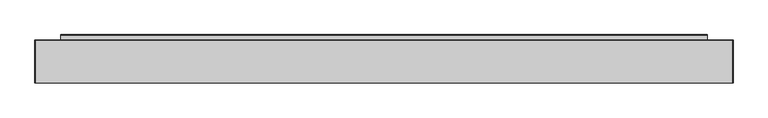
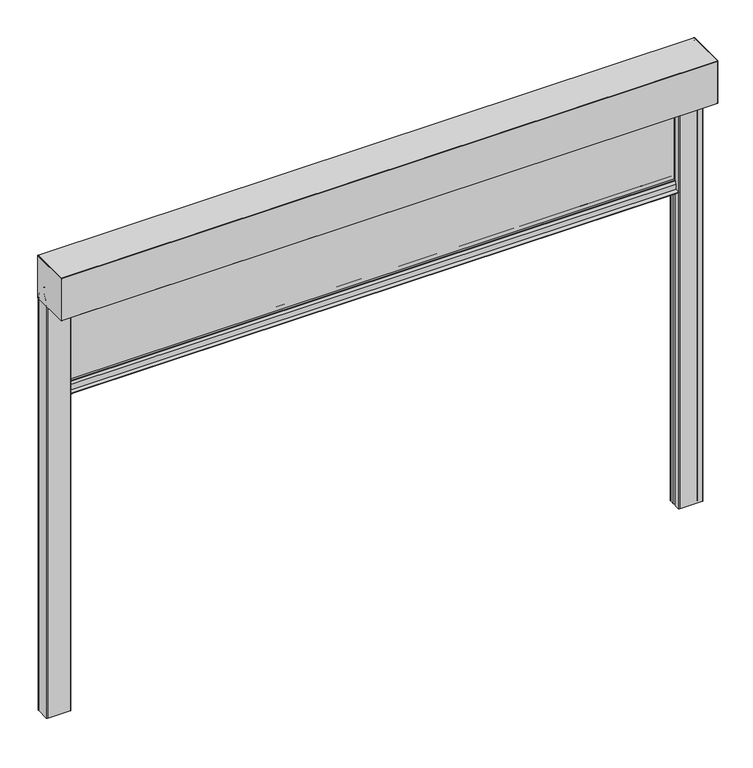
"""IFC4 building model written with IfcOpenShell, lengths in millimetres: alarm geometry."""

from ifc_helpers import new_model, si_unit, point, frame, frame_2d, origin, place, context, project, spatial, polyline, circle_curve, trimmed, segment, composite_curve, outline, extrude, source, transform, mapped, element, save
from ifc_brep_helpers import plane_surface, cylinder_surface, revolved_surface, advanced_brep


def alarm_dab0e202(model_context):
    return source(origin(), model_context, "Body", "SolidModel", [
        extrude(outline(composite_curve([segment(polyline([(32.3130377, -455.0), (67.6869623, -455.0)]), True, "CONTINUOUS"), segment(trimmed(circle_curve(frame_2d((67.6869623, -457.0)), 2.0), [point((67.6869623, -455.0))], [point((69.5220736, -456.2047851))], False, "CARTESIAN"), True, "CONTINUOUS"), segment(polyline([(69.5220736, -456.2047851), (75.5, -470.0), (75.5, -498.0), (98.5, -498.0)]), True, "CONTINUOUS"), segment(trimmed(circle_curve(frame_2d((98.5, -499.0)), 1.0), [point((98.5, -498.0))], [point((98.5, -500.0))], False, "CARTESIAN"), True, "CONTINUOUS"), segment(polyline([(98.5, -500.0), (1.5, -500.0)]), True, "CONTINUOUS"), segment(trimmed(circle_curve(frame_2d((1.5, -499.0)), 1.0), [point((1.5, -500.0))], [point((1.5, -498.0))], False, "CARTESIAN"), True, "CONTINUOUS"), segment(polyline([(1.5, -498.0), (24.5, -498.0), (24.5, -470.0), (30.4779264, -456.2047851)]), True, "CONTINUOUS"), segment(trimmed(circle_curve(frame_2d((32.3130377, -457.0)), 2.0), [point((30.4779264, -456.2047851))], [point((32.3130377, -455.0))], False, "CARTESIAN"), True, "CONTINUOUS")], self_intersect=False)), frame((-1500.0, 0.0, 0.0), z_axis=(1.0, 0.0, 0.0), x_axis=(0.0, 1.0, 0.0)), (0.0, 0.0, 1.0), 3000.0),
        extrude(outline(polyline([(1500.0, 42.5), (-1500.0, 42.5), (-1500.0, 57.5), (1500.0, 57.5), (1500.0, 42.5)])), frame((0.0, 0.0, -455.0), z_axis=(0.0, 0.0, 1.0), x_axis=(1.0, 0.0, 0.0)), (0.0, 0.0, 1.0), 465.0),
        extrude(outline(composite_curve([segment(polyline([(-125.0, 1.0), (-125.0, 219.0)]), True, "CONTINUOUS"), segment(trimmed(circle_curve(frame_2d((-124.0, 219.0)), 1.0), [point((-125.0, 219.0))], [point((-124.0, 220.0))], False, "CARTESIAN"), True, "CONTINUOUS"), segment(polyline([(-124.0, 220.0), (74.0, 220.0)]), True, "CONTINUOUS"), segment(trimmed(circle_curve(frame_2d((74.0, 219.0)), 1.0), [point((74.0, 220.0))], [point((75.0, 219.0))], False, "CARTESIAN"), True, "CONTINUOUS"), segment(polyline([(75.0, 219.0), (75.0, 1.5)]), True, "CONTINUOUS"), segment(trimmed(circle_curve(frame_2d((73.5, 1.5)), 1.5), [point((75.0, 1.5))], [point((73.5, 0.0))], False, "CARTESIAN"), True, "CONTINUOUS"), segment(polyline([(73.5, 0.0), (-124.0, 0.0)]), True, "CONTINUOUS"), segment(trimmed(circle_curve(frame_2d((-124.0, 1.0)), 1.0), [point((-124.0, 0.0))], [point((-125.0, 1.0))], False, "CARTESIAN"), True, "CONTINUOUS")], self_intersect=False)), frame((1620.0, 0.0, 0.0), z_axis=(1.0, 0.0, 0.0), x_axis=(0.0, 1.0, 0.0)), (0.0, 0.0, 1.0), 1.0),
        extrude(outline(composite_curve([segment(polyline([(-125.0, 1.0), (-125.0, 219.0)]), True, "CONTINUOUS"), segment(trimmed(circle_curve(frame_2d((-124.0, 219.0)), 1.0), [point((-125.0, 219.0))], [point((-124.0, 220.0))], False, "CARTESIAN"), True, "CONTINUOUS"), segment(polyline([(-124.0, 220.0), (74.0, 220.0)]), True, "CONTINUOUS"), segment(trimmed(circle_curve(frame_2d((74.0, 219.0)), 1.0), [point((74.0, 220.0))], [point((75.0, 219.0))], False, "CARTESIAN"), True, "CONTINUOUS"), segment(polyline([(75.0, 219.0), (75.0, 1.5)]), True, "CONTINUOUS"), segment(trimmed(circle_curve(frame_2d((73.5, 1.5)), 1.5), [point((75.0, 1.5))], [point((73.5, 0.0))], False, "CARTESIAN"), True, "CONTINUOUS"), segment(polyline([(73.5, 0.0), (-124.0, 0.0)]), True, "CONTINUOUS"), segment(trimmed(circle_curve(frame_2d((-124.0, 1.0)), 1.0), [point((-124.0, 0.0))], [point((-125.0, 1.0))], False, "CARTESIAN"), True, "CONTINUOUS")], self_intersect=False)), frame((-1621.0, 0.0, 0.0), z_axis=(1.0, 0.0, 0.0), x_axis=(0.0, 1.0, 0.0)), (0.0, 0.0, 1.0), 1.0),
        extrude(outline(composite_curve([segment(trimmed(circle_curve(frame_2d((1505.0, 70.0)), 5.0), [point((1500.0, 70.0))], [point((1505.0, 75.0))], False, "CARTESIAN"), True, "CONTINUOUS"), segment(polyline([(1505.0, 75.0), (1615.0, 75.0)]), True, "CONTINUOUS"), segment(trimmed(circle_curve(frame_2d((1615.0, 70.0)), 5.0), [point((1615.0, 75.0))], [point((1620.0, 70.0))], False, "CARTESIAN"), True, "CONTINUOUS"), segment(polyline([(1620.0, 70.0), (1620.0, 4.0)]), True, "CONTINUOUS"), segment(trimmed(circle_curve(frame_2d((1615.0, 4.0)), 5.0), [point((1620.0, 4.0))], [point((1615.0, -1.0))], False, "CARTESIAN"), True, "CONTINUOUS"), segment(polyline([(1615.0, -1.0), (1505.0, -1.0)]), True, "CONTINUOUS"), segment(trimmed(circle_curve(frame_2d((1505.0, 4.0)), 5.0), [point((1505.0, -1.0))], [point((1500.0, 4.0))], False, "CARTESIAN"), True, "CONTINUOUS"), segment(polyline([(1500.0, 4.0), (1500.0, 28.0)]), True, "CONTINUOUS"), segment(trimmed(circle_curve(frame_2d((1504.0, 28.0)), 4.0), [point((1500.0, 28.0))], [point((1504.0, 32.0))], False, "CARTESIAN"), True, "CONTINUOUS"), segment(polyline([(1504.0, 32.0), (1539.0, 32.0)]), True, "CONTINUOUS"), segment(trimmed(circle_curve(frame_2d((1539.0, 28.0)), 4.0), [point((1539.0, 32.0))], [point((1543.0, 28.0))], False, "CARTESIAN"), True, "CONTINUOUS"), segment(polyline([(1543.0, 28.0), (1543.0, 14.0)]), True, "CONTINUOUS"), segment(trimmed(circle_curve(frame_2d((1545.0, 14.0)), 2.0), [point((1543.0, 14.0))], [point((1545.0, 12.0))], True, "CARTESIAN"), True, "CONTINUOUS"), segment(polyline([(1545.0, 12.0), (1596.0, 12.0)]), True, "CONTINUOUS"), segment(trimmed(circle_curve(frame_2d((1596.0, 14.0)), 2.0), [point((1596.0, 12.0))], [point((1598.0, 14.0))], True, "CARTESIAN"), True, "CONTINUOUS"), segment(polyline([(1598.0, 14.0), (1598.0, 40.0)]), True, "CONTINUOUS"), segment(trimmed(circle_curve(frame_2d((1596.0, 40.0)), 2.0), [point((1598.0, 40.0))], [point((1596.0, 42.0))], True, "CARTESIAN"), True, "CONTINUOUS"), segment(polyline([(1596.0, 42.0), (1504.0, 42.0)]), True, "CONTINUOUS"), segment(trimmed(circle_curve(frame_2d((1504.0, 46.0)), 4.0), [point((1504.0, 42.0))], [point((1500.0, 46.0))], False, "CARTESIAN"), True, "CONTINUOUS"), segment(polyline([(1500.0, 46.0), (1500.0, 70.0)]), True, "CONTINUOUS")], self_intersect=False), holes=[composite_curve([segment(polyline([(1539.0, 30.0), (1504.0, 30.0)]), True, "CONTINUOUS"), segment(trimmed(circle_curve(frame_2d((1504.0, 28.0)), 2.0), [point((1504.0, 30.0))], [point((1502.0, 28.0))], True, "CARTESIAN"), True, "CONTINUOUS"), segment(polyline([(1502.0, 28.0), (1502.0, 4.0)]), True, "CONTINUOUS"), segment(trimmed(circle_curve(frame_2d((1505.0, 4.0)), 3.0), [point((1502.0, 4.0))], [point((1505.0, 1.0))], True, "CARTESIAN"), True, "CONTINUOUS"), segment(polyline([(1505.0, 1.0), (1615.0, 1.0)]), True, "CONTINUOUS"), segment(trimmed(circle_curve(frame_2d((1615.0, 4.0)), 3.0), [point((1615.0, 1.0))], [point((1618.0, 4.0))], True, "CARTESIAN"), True, "CONTINUOUS"), segment(polyline([(1618.0, 4.0), (1618.0, 70.0)]), True, "CONTINUOUS"), segment(trimmed(circle_curve(frame_2d((1615.0, 70.0)), 3.0), [point((1618.0, 70.0))], [point((1615.0, 73.0))], True, "CARTESIAN"), True, "CONTINUOUS"), segment(polyline([(1615.0, 73.0), (1505.0, 73.0)]), True, "CONTINUOUS"), segment(trimmed(circle_curve(frame_2d((1505.0, 70.0)), 3.0), [point((1505.0, 73.0))], [point((1502.0, 70.0))], True, "CARTESIAN"), True, "CONTINUOUS"), segment(polyline([(1502.0, 70.0), (1502.0, 46.0)]), True, "CONTINUOUS"), segment(trimmed(circle_curve(frame_2d((1504.0, 46.0)), 2.0), [point((1502.0, 46.0))], [point((1504.0, 44.0))], True, "CARTESIAN"), True, "CONTINUOUS"), segment(polyline([(1504.0, 44.0), (1596.0, 44.0)]), True, "CONTINUOUS"), segment(trimmed(circle_curve(frame_2d((1596.0, 40.0)), 4.0), [point((1596.0, 44.0))], [point((1600.0, 40.0))], False, "CARTESIAN"), True, "CONTINUOUS"), segment(polyline([(1600.0, 40.0), (1600.0, 14.0)]), True, "CONTINUOUS"), segment(trimmed(circle_curve(frame_2d((1596.0, 14.0)), 4.0), [point((1600.0, 14.0))], [point((1596.0, 10.0))], False, "CARTESIAN"), True, "CONTINUOUS"), segment(polyline([(1596.0, 10.0), (1545.0, 10.0)]), True, "CONTINUOUS"), segment(trimmed(circle_curve(frame_2d((1545.0, 14.0)), 4.0), [point((1545.0, 10.0))], [point((1541.0, 14.0))], False, "CARTESIAN"), True, "CONTINUOUS"), segment(polyline([(1541.0, 14.0), (1541.0, 28.0)]), True, "CONTINUOUS"), segment(trimmed(circle_curve(frame_2d((1539.0, 28.0)), 2.0), [point((1541.0, 28.0))], [point((1539.0, 30.0))], True, "CARTESIAN"), True, "CONTINUOUS")], self_intersect=False)]), frame((0.0, 0.0, -2150.0), z_axis=(0.0, 0.0, 1.0), x_axis=(1.0, 0.0, 0.0)), (0.0, 0.0, 1.0), 2150.0),
        extrude(outline(composite_curve([segment(trimmed(circle_curve(frame_2d((-1505.0, 4.0)), 5.0), [point((-1500.0, 4.0))], [point((-1505.0, -1.0))], False, "CARTESIAN"), True, "CONTINUOUS"), segment(polyline([(-1505.0, -1.0), (-1615.0, -1.0)]), True, "CONTINUOUS"), segment(trimmed(circle_curve(frame_2d((-1615.0, 4.0)), 5.0), [point((-1615.0, -1.0))], [point((-1620.0, 4.0))], False, "CARTESIAN"), True, "CONTINUOUS"), segment(polyline([(-1620.0, 4.0), (-1620.0, 70.0)]), True, "CONTINUOUS"), segment(trimmed(circle_curve(frame_2d((-1615.0, 70.0)), 5.0), [point((-1620.0, 70.0))], [point((-1615.0, 75.0))], False, "CARTESIAN"), True, "CONTINUOUS"), segment(polyline([(-1615.0, 75.0), (-1505.0, 75.0)]), True, "CONTINUOUS"), segment(trimmed(circle_curve(frame_2d((-1505.0, 70.0)), 5.0), [point((-1505.0, 75.0))], [point((-1500.0, 70.0))], False, "CARTESIAN"), True, "CONTINUOUS"), segment(polyline([(-1500.0, 70.0), (-1500.0, 46.0)]), True, "CONTINUOUS"), segment(trimmed(circle_curve(frame_2d((-1504.0, 46.0)), 4.0), [point((-1500.0, 46.0))], [point((-1504.0, 42.0))], False, "CARTESIAN"), True, "CONTINUOUS"), segment(polyline([(-1504.0, 42.0), (-1596.0, 42.0)]), True, "CONTINUOUS"), segment(trimmed(circle_curve(frame_2d((-1596.0, 40.0)), 2.0), [point((-1596.0, 42.0))], [point((-1598.0, 40.0))], True, "CARTESIAN"), True, "CONTINUOUS"), segment(polyline([(-1598.0, 40.0), (-1598.0, 14.0)]), True, "CONTINUOUS"), segment(trimmed(circle_curve(frame_2d((-1596.0, 14.0)), 2.0), [point((-1598.0, 14.0))], [point((-1596.0, 12.0))], True, "CARTESIAN"), True, "CONTINUOUS"), segment(polyline([(-1596.0, 12.0), (-1545.0, 12.0)]), True, "CONTINUOUS"), segment(trimmed(circle_curve(frame_2d((-1545.0, 14.0)), 2.0), [point((-1545.0, 12.0))], [point((-1543.0, 14.0))], True, "CARTESIAN"), True, "CONTINUOUS"), segment(polyline([(-1543.0, 14.0), (-1543.0, 28.0)]), True, "CONTINUOUS"), segment(trimmed(circle_curve(frame_2d((-1539.0, 28.0)), 4.0), [point((-1543.0, 28.0))], [point((-1539.0, 32.0))], False, "CARTESIAN"), True, "CONTINUOUS"), segment(polyline([(-1539.0, 32.0), (-1504.0, 32.0)]), True, "CONTINUOUS"), segment(trimmed(circle_curve(frame_2d((-1504.0, 28.0)), 4.0), [point((-1504.0, 32.0))], [point((-1500.0, 28.0))], False, "CARTESIAN"), True, "CONTINUOUS"), segment(polyline([(-1500.0, 28.0), (-1500.0, 4.0)]), True, "CONTINUOUS")], self_intersect=False), holes=[composite_curve([segment(trimmed(circle_curve(frame_2d((-1504.0, 28.0)), 2.0), [point((-1502.0, 28.0))], [point((-1504.0, 30.0))], True, "CARTESIAN"), True, "CONTINUOUS"), segment(polyline([(-1504.0, 30.0), (-1539.0, 30.0)]), True, "CONTINUOUS"), segment(trimmed(circle_curve(frame_2d((-1539.0, 28.0)), 2.0), [point((-1539.0, 30.0))], [point((-1541.0, 28.0))], True, "CARTESIAN"), True, "CONTINUOUS"), segment(polyline([(-1541.0, 28.0), (-1541.0, 14.0)]), True, "CONTINUOUS"), segment(trimmed(circle_curve(frame_2d((-1545.0, 14.0)), 4.0), [point((-1541.0, 14.0))], [point((-1545.0, 10.0))], False, "CARTESIAN"), True, "CONTINUOUS"), segment(polyline([(-1545.0, 10.0), (-1596.0, 10.0)]), True, "CONTINUOUS"), segment(trimmed(circle_curve(frame_2d((-1596.0, 14.0)), 4.0), [point((-1596.0, 10.0))], [point((-1600.0, 14.0))], False, "CARTESIAN"), True, "CONTINUOUS"), segment(polyline([(-1600.0, 14.0), (-1600.0, 40.0)]), True, "CONTINUOUS"), segment(trimmed(circle_curve(frame_2d((-1596.0, 40.0)), 4.0), [point((-1600.0, 40.0))], [point((-1596.0, 44.0))], False, "CARTESIAN"), True, "CONTINUOUS"), segment(polyline([(-1596.0, 44.0), (-1504.0, 44.0)]), True, "CONTINUOUS"), segment(trimmed(circle_curve(frame_2d((-1504.0, 46.0)), 2.0), [point((-1504.0, 44.0))], [point((-1502.0, 46.0))], True, "CARTESIAN"), True, "CONTINUOUS"), segment(polyline([(-1502.0, 46.0), (-1502.0, 70.0)]), True, "CONTINUOUS"), segment(trimmed(circle_curve(frame_2d((-1505.0, 70.0)), 3.0), [point((-1502.0, 70.0))], [point((-1505.0, 73.0))], True, "CARTESIAN"), True, "CONTINUOUS"), segment(polyline([(-1505.0, 73.0), (-1615.0, 73.0)]), True, "CONTINUOUS"), segment(trimmed(circle_curve(frame_2d((-1615.0, 70.0)), 3.0), [point((-1615.0, 73.0))], [point((-1618.0, 70.0))], True, "CARTESIAN"), True, "CONTINUOUS"), segment(polyline([(-1618.0, 70.0), (-1618.0, 4.0)]), True, "CONTINUOUS"), segment(trimmed(circle_curve(frame_2d((-1615.0, 4.0)), 3.0), [point((-1618.0, 4.0))], [point((-1615.0, 1.0))], True, "CARTESIAN"), True, "CONTINUOUS"), segment(polyline([(-1615.0, 1.0), (-1505.0, 1.0)]), True, "CONTINUOUS"), segment(trimmed(circle_curve(frame_2d((-1505.0, 4.0)), 3.0), [point((-1505.0, 1.0))], [point((-1502.0, 4.0))], True, "CARTESIAN"), True, "CONTINUOUS"), segment(polyline([(-1502.0, 4.0), (-1502.0, 28.0)]), True, "CONTINUOUS")], self_intersect=False)]), frame((0.0, 0.0, -2150.0), z_axis=(0.0, 0.0, 1.0), x_axis=(1.0, 0.0, 0.0)), (0.0, 0.0, 1.0), 2150.0),
        advanced_brep(
        [(1620.0, 74.0, 220.0), (1620.0, -124.0, 220.0), (1620.0, -125.0, 219.0), (1620.0, -125.0, 1.0), (1620.0, -124.0, 0.0), (1620.0, 0.6706552, 0.0), (1620.0, 3.5525627, 2.8819075), (1620.0, 3.5525627, 25.0), (1620.0, 40.2346421, 81.9173889), (1620.0, 38.5535205, 85.0008329), (1620.0, 27.0535205, 85.0007974), (1620.0, 27.1842634, 82.0065058), (1620.0, 33.6652134, 82.5735356), (1620.0, 33.5780546, 83.56973), (1620.0, 27.0971045, 83.0027002), (1620.0, 27.0535236, 84.0007974), (1620.0, 38.5575262, 84.0008329), (1620.0, 39.6503781, 82.8567866), (1620.0, 2.5525627, 25.2943249), (1620.0, 2.5525627, 2.9031761), (1620.0, 0.6493867, 1.0), (1620.0, -118.4990953, 1.0), (1620.0, -118.4990953, 210.0001942), (1620.0, -114.4991113, 214.0001783), (1620.0, 64.4999422, 214.0001783), (1620.0, 68.5003406, 209.9997799), (1620.0, 68.5003406, 32.9978598), (1620.0, 71.0003714, 32.9978598), (1620.0, 71.0003714, 19.9978095), (1620.0, 74.0003573, 19.9978095), (1620.0, 74.0003573, 1.3255837), (1620.0, 73.0249422, 1.1710911), (1620.0, 63.1362847, 31.6048165), (1620.0, 62.1852498, 31.2958032), (1620.0, 72.0225757, 1.0199506), (1620.0, 75.0, 1.5), (1620.0, 75.0, 219.0), (-1620.0, 74.0, 220.0), (-1620.0, 75.0, 219.0), (-1620.0, 75.0, 1.5), (-1620.0, 72.0734167, 1.03647), (-1620.0, 62.1852498, 31.2958032), (-1620.0, 63.1362847, 31.6048165), (-1620.0, 73.0249422, 1.1710911), (-1620.0, 74.0003573, 1.3255837), (-1620.0, 74.0003573, 19.9978095), (-1620.0, 71.0003714, 19.9978095), (-1620.0, 71.0003714, 32.9978598), (-1620.0, 68.5003406, 32.9978598), (-1620.0, 68.5003406, 209.9997799), (-1620.0, 64.4999422, 214.0001783), (-1620.0, -114.4991113, 214.0001783), (-1620.0, -118.4990953, 210.0001942), (-1620.0, -118.4990953, 1.0), (-1620.0, 0.6493867, 1.0), (-1620.0, 2.5525627, 2.9031761), (-1620.0, 2.5525627, 25.2943249), (-1620.0, 39.6503781, 82.8567866), (-1620.0, 38.5575262, 84.0008329), (-1620.0, 27.0535236, 84.0007974), (-1620.0, 27.0971045, 83.0027002), (-1620.0, 33.5780546, 83.56973), (-1620.0, 33.6652134, 82.5735356), (-1620.0, 27.1842634, 82.0065058), (-1620.0, 27.0535205, 85.0007974), (-1620.0, 38.5535205, 85.0008329), (-1620.0, 40.2346421, 81.9173889), (-1620.0, 3.5525627, 25.0), (-1620.0, 3.5525627, 2.8819075), (-1620.0, 0.6706552, 0.0), (-1620.0, -124.0, 0.0), (-1620.0, -125.0, 1.0), (-1620.0, -125.0, 219.0), (-1620.0, -124.0, 220.0)],
        [
            (0, 1),
            (1, 2, circle_curve(frame((1620.0, -124.0, 219.0), z_axis=(1.0, 0.0, 0.0), x_axis=(0.0, 1.0, 0.0)), 1.0)),
            (2, 3),
            (3, 4, circle_curve(frame((1620.0, -124.0, 1.0), z_axis=(1.0, 0.0, 0.0), x_axis=(0.0, 1.0, 0.0)), 1.0)),
            (4, 5),
            (5, 6, circle_curve(frame((1620.0, 0.5548006, 2.9977621), z_axis=(1.0, 0.0, 0.0), x_axis=(0.0, 1.0, 0.0)), 3.0)),
            (6, 7),
            (7, 8),
            (8, 9, circle_curve(frame((1620.0, 38.5535267, 83.0008329), z_axis=(1.0, 0.0, 0.0), x_axis=(0.0, 1.0, 0.0)), 2.0)),
            (9, 10),
            (10, 11, circle_curve(frame((1620.0, 27.0535251, 83.5007974), z_axis=(1.0, 0.0, 0.0), x_axis=(0.0, 1.0, 0.0)), 1.5)),
            (11, 12),
            (12, 13),
            (13, 14),
            (14, 15, circle_curve(frame((1620.0, 27.0535251, 83.5007974), z_axis=(-1.0, 0.0, 0.0), x_axis=(0.0, 1.0, 0.0)), 0.5)),
            (15, 16),
            (16, 17, circle_curve(frame((1620.0, 38.5575296, 82.9068388), z_axis=(-1.0, 0.0, 0.0), x_axis=(0.0, 1.0, 0.0)), 1.0939941)),
            (17, 18),
            (18, 19),
            (19, 20, circle_curve(frame((1620.0, 0.5548006, 2.9977621), z_axis=(-1.0, 0.0, 0.0), x_axis=(0.0, 1.0, 0.0)), 2.0)),
            (20, 21),
            (21, 22),
            (22, 23, circle_curve(frame((1620.0, -114.4991113, 210.0001942), z_axis=(-1.0, 0.0, 0.0), x_axis=(0.0, 1.0, 0.0)), 3.9999841)),
            (23, 24),
            (24, 25, circle_curve(frame((1620.0, 64.4999422, 209.9997799), z_axis=(-1.0, 0.0, 0.0), x_axis=(0.0, 1.0, 0.0)), 4.0003984)),
            (25, 26),
            (26, 27),
            (27, 28),
            (28, 29),
            (29, 30),
            (30, 31, circle_curve(frame((1620.0, 73.500415, 1.3255837), z_axis=(-1.0, 0.0, 0.0), x_axis=(0.0, 1.0, 0.0)), 0.4999423)),
            (31, 32),
            (32, 33),
            (33, 34),
            (34, 35, circle_curve(frame((1620.0, 73.5, 1.5), z_axis=(1.0, 0.0, 0.0), x_axis=(0.0, 1.0, 0.0)), 1.5)),
            (35, 36),
            (36, 0, circle_curve(frame((1620.0, 74.0, 219.0), z_axis=(1.0, 0.0, 0.0), x_axis=(0.0, 1.0, 0.0)), 1.0)),
            (37, 38, circle_curve(frame((-1620.0, 74.0, 219.0), z_axis=(-1.0, 0.0, 0.0), x_axis=(0.0, 1.0, 0.0)), 1.0)),
            (38, 39),
            (39, 40, circle_curve(frame((-1620.0, 73.5, 1.5), z_axis=(-1.0, 0.0, 0.0), x_axis=(0.0, 1.0, 0.0)), 1.5)),
            (40, 41),
            (41, 42),
            (42, 43),
            (43, 44, circle_curve(frame((-1620.0, 73.500415, 1.3255837), z_axis=(1.0, 0.0, 0.0), x_axis=(0.0, 1.0, 0.0)), 0.4999423)),
            (44, 45),
            (45, 46),
            (46, 47),
            (47, 48),
            (48, 49),
            (49, 50, circle_curve(frame((-1620.0, 64.4999422, 209.9997799), z_axis=(1.0, 0.0, 0.0), x_axis=(0.0, 1.0, 0.0)), 4.0003984)),
            (50, 51),
            (51, 52, circle_curve(frame((-1620.0, -114.4991113, 210.0001942), z_axis=(1.0, 0.0, 0.0), x_axis=(0.0, 1.0, 0.0)), 3.9999841)),
            (52, 53),
            (53, 54),
            (54, 55, circle_curve(frame((-1620.0, 0.5548006, 2.9977621), z_axis=(1.0, 0.0, 0.0), x_axis=(0.0, 1.0, 0.0)), 2.0)),
            (55, 56),
            (56, 57),
            (57, 58, circle_curve(frame((-1620.0, 38.5575296, 82.9068388), z_axis=(1.0, 0.0, 0.0), x_axis=(0.0, 1.0, 0.0)), 1.0939941)),
            (58, 59),
            (59, 60, circle_curve(frame((-1620.0, 27.0535251, 83.5007974), z_axis=(1.0, 0.0, 0.0), x_axis=(0.0, 1.0, 0.0)), 0.5)),
            (60, 61),
            (61, 62),
            (62, 63),
            (63, 64, circle_curve(frame((-1620.0, 27.0535251, 83.5007974), z_axis=(-1.0, 0.0, 0.0), x_axis=(0.0, 1.0, 0.0)), 1.5)),
            (64, 65),
            (65, 66, circle_curve(frame((-1620.0, 38.5535267, 83.0008329), z_axis=(-1.0, 0.0, 0.0), x_axis=(0.0, 1.0, 0.0)), 2.0)),
            (66, 67),
            (67, 68),
            (68, 69, circle_curve(frame((-1620.0, 0.5548006, 2.9977621), z_axis=(-1.0, 0.0, 0.0), x_axis=(0.0, 1.0, 0.0)), 3.0)),
            (69, 70),
            (70, 71, circle_curve(frame((-1620.0, -124.0, 1.0), z_axis=(-1.0, 0.0, 0.0), x_axis=(0.0, 1.0, 0.0)), 1.0)),
            (71, 72),
            (72, 73, circle_curve(frame((-1620.0, -124.0, 219.0), z_axis=(-1.0, 0.0, 0.0), x_axis=(0.0, 1.0, 0.0)), 1.0)),
            (73, 37),
            (0, 37),
            (73, 1),
            (72, 2),
            (71, 3),
            (70, 4),
            (69, 5),
            (21, 53),
            (52, 22),
            (51, 23),
            (50, 24),
            (49, 25),
            (48, 26),
            (47, 27),
            (46, 28),
            (45, 29),
            (44, 30),
            (43, 31),
            (42, 32),
            (41, 33),
            (40, 34),
            (39, 35),
            (38, 36),
            (68, 6),
            (67, 7),
            (66, 8),
            (65, 9),
            (64, 10),
            (63, 11),
            (62, 12),
            (61, 13),
            (60, 14),
            (59, 15),
            (58, 16),
            (57, 17),
            (56, 18),
            (55, 19),
            (54, 20),
        ],
        [
            plane_surface(frame((1620.0, -124.0, 220.0), z_axis=(1.0, 0.0, 0.0), x_axis=(0.0, -1.0, 0.0))),
            plane_surface(frame((-1620.0, -124.0, 220.0), z_axis=(-1.0, 0.0, 0.0), x_axis=(0.0, 1.0, 0.0))),
            plane_surface(frame((1620.0, 74.0, 220.0), z_axis=(0.0, 0.0, 1.0), x_axis=(-1.0, 0.0, 0.0))),
            cylinder_surface(frame((-1620.0, -124.0, 219.0), z_axis=(1.0, 0.0, 0.0), x_axis=(0.0, 1.0, 0.0)), 1.0),
            plane_surface(frame((1620.0, -125.0, 219.0), z_axis=(0.0, -1.0, 0.0), x_axis=(-1.0, 0.0, 0.0))),
            cylinder_surface(frame((-1620.0, -124.0, 1.0), z_axis=(1.0, 0.0, 0.0), x_axis=(0.0, 1.0, 0.0)), 1.0),
            plane_surface(frame((1620.0, -124.0, 0.0), z_axis=(0.0, 0.0, -1.0), x_axis=(-1.0, 0.0, 0.0))),
            plane_surface(frame((1620.0, -118.4990953, 1.0), z_axis=(0.0, 1.0, 0.0), x_axis=(-1.0, 0.0, 0.0))),
            revolved_surface(polyline([(-1620.0, -110.49912719999999, 210.0001942), (1620.0, -110.49912719999999, 210.0001942)]), (-1620.0, -114.4991113, 210.0001942), (-1.0, 0.0, 0.0)),
            plane_surface(frame((1620.0, -114.4991113, 214.0001783), z_axis=(0.0, 0.0, -1.0), x_axis=(-1.0, 0.0, 0.0))),
            revolved_surface(polyline([(-1620.0, 68.5003406, 209.9997799), (1620.0, 68.5003406, 209.9997799)]), (-1620.0, 64.4999422, 209.9997799), (-1.0, 0.0, 0.0)),
            plane_surface(frame((1620.0, 68.5003406, 209.9997799), z_axis=(0.0, -1.0, 0.0), x_axis=(-1.0, 0.0, 0.0))),
            plane_surface(frame((1620.0, 68.5003406, 32.9978598), z_axis=(0.0, 0.0, -1.0), x_axis=(-1.0, 0.0, 0.0))),
            plane_surface(frame((1620.0, 71.0003714, 32.9978598), z_axis=(0.0, -1.0, 0.0), x_axis=(-1.0, 0.0, 0.0))),
            plane_surface(frame((1620.0, 71.0003714, 19.9978095), z_axis=(0.0, 0.0, -1.0), x_axis=(-1.0, 0.0, 0.0))),
            plane_surface(frame((1620.0, 74.0003573, 19.9978095), z_axis=(0.0, -1.0, -1.2844647031399892e-12), x_axis=(-1.0, 0.0, 0.0))),
            revolved_surface(polyline([(-1620.0, 74.0003573, 1.3255837), (1620.0, 74.0003573, 1.3255837)]), (-1620.0, 73.500415, 1.3255837), (-1.0, 0.0, 0.0)),
            plane_surface(frame((1620.0, 73.0249422, 1.1710911), z_axis=(0.0, 0.9510552244543146, 0.3090209702239532), x_axis=(-1.0, 0.0, 0.0))),
            plane_surface(frame((1620.0, 63.1362847, 31.6048165), z_axis=(0.0, -0.3090199811024944, 0.9510555458433614), x_axis=(-1.0, 0.0, 0.0))),
            plane_surface(frame((1620.0, 62.1852498, 31.2958032), z_axis=(0.0, -0.9510555458434065, -0.3090199811023557), x_axis=(-1.0, 0.0, 0.0))),
            cylinder_surface(frame((-1620.0, 73.5, 1.5), z_axis=(1.0, 0.0, 0.0), x_axis=(0.0, 1.0, 0.0)), 1.5),
            plane_surface(frame((1620.0, 75.0, 1.5), z_axis=(0.0, 1.0, 0.0), x_axis=(-1.0, 0.0, 0.0))),
            cylinder_surface(frame((-1620.0, 74.0, 219.0), z_axis=(1.0, 0.0, 0.0), x_axis=(0.0, 1.0, 0.0)), 1.0),
            cylinder_surface(frame((-1620.0, 0.5548006, 2.9977621), z_axis=(1.0, 0.0, 0.0), x_axis=(0.0, 1.0, 0.0)), 3.0),
            plane_surface(frame((1620.0, 3.5525627, 2.8819075), z_axis=(0.0, 1.0, 0.0), x_axis=(-1.0, 0.0, 0.0))),
            plane_surface(frame((1620.0, 3.5525627, 25.0), z_axis=(0.0, 0.8405576917101402, -0.541722038417232), x_axis=(-1.0, 0.0, 0.0))),
            cylinder_surface(frame((-1620.0, 38.5535267, 83.0008329), z_axis=(1.0, 0.0, 0.0), x_axis=(0.0, 1.0, 0.0)), 2.0),
            plane_surface(frame((1620.0, 38.5535205, 85.0008329), z_axis=(0.0, -3.0882118506882625e-06, 0.9999999999952316), x_axis=(-1.0, 0.0, 0.0))),
            cylinder_surface(frame((-1620.0, 27.0535251, 83.5007974), z_axis=(1.0, 0.0, 0.0), x_axis=(0.0, 1.0, 0.0)), 1.5),
            plane_surface(frame((1620.0, 27.1842634, 82.0065058), z_axis=(0.0, 0.08715881898961361, -0.9961944289506622), x_axis=(-1.0, 0.0, 0.0))),
            plane_surface(frame((1620.0, 33.6652134, 82.5735356), z_axis=(0.0, 0.9961944289500921, 0.08715881899612934), x_axis=(-1.0, 0.0, 0.0))),
            plane_surface(frame((1620.0, 33.5780546, 83.56973), z_axis=(0.0, -0.0871588190050008, 0.996194428949316), x_axis=(-1.0, 0.0, 0.0))),
            revolved_surface(polyline([(-1620.0, 27.5535251, 83.5007974), (1620.0, 27.5535251, 83.5007974)]), (-1620.0, 27.0535251, 83.5007974), (-1.0, 0.0, 0.0)),
            plane_surface(frame((1620.0, 27.0535236, 84.0007974), z_axis=(0.0, 3.0872151894676767e-06, -0.9999999999952346), x_axis=(-1.0, 0.0, 0.0))),
            revolved_surface(polyline([(-1620.0, 39.651523700000006, 82.9068388), (1620.0, 39.651523700000006, 82.9068388)]), (-1620.0, 38.5575296, 82.9068388), (-1.0, 0.0, 0.0)),
            plane_surface(frame((1620.0, 39.6503781, 82.8567866), z_axis=(0.0, -0.8405576917101383, 0.541722038417235), x_axis=(-1.0, 0.0, 0.0))),
            plane_surface(frame((1620.0, 2.5525627, 25.2943249), z_axis=(0.0, -1.0, 0.0), x_axis=(-1.0, 0.0, 0.0))),
            revolved_surface(polyline([(-1620.0, 2.5548006, 2.9977621), (1620.0, 2.5548006, 2.9977621)]), (-1620.0, 0.5548006, 2.9977621), (-1.0, 0.0, 0.0)),
            plane_surface(frame((1620.0, 0.6493867, 1.0), z_axis=(0.0, 0.0, 1.0), x_axis=(-1.0, 0.0, 0.0))),
        ],
        [
            (0, [[1, 2, 3, 4, 5, 6, 7, 8, 9, 10, 11, 12, 13, 14, 15, 16, 17, 18, 19, 20, 21, 22, 23, 24, 25, 26, 27, 28, 29, 30, 31, 32, 33, 34, 35, 36, 37]]),
            (1, [[38, 39, 40, 41, 42, 43, 44, 45, 46, 47, 48, 49, 50, 51, 52, 53, 54, 55, 56, 57, 58, 59, 60, 61, 62, 63, 64, 65, 66, 67, 68, 69, 70, 71, 72, 73, 74]]),
            (2, [[-1, 75, -74, 76]]),
            (3, [[-2, -76, -73, 77]]),
            (4, [[-3, -77, -72, 78]]),
            (5, [[-4, -78, -71, 79]]),
            (6, [[-5, -79, -70, 80]]),
            (7, [[-22, 81, -53, 82]]),
            (8, [[-23, -82, -52, 83]]),
            (9, [[-24, -83, -51, 84]]),
            (10, [[-25, -84, -50, 85]]),
            (11, [[-26, -85, -49, 86]]),
            (12, [[-27, -86, -48, 87]]),
            (13, [[-28, -87, -47, 88]]),
            (14, [[-29, -88, -46, 89]]),
            (15, [[-30, -89, -45, 90]]),
            (16, [[-31, -90, -44, 91]]),
            (17, [[-32, -91, -43, 92]]),
            (18, [[-33, -92, -42, 93]]),
            (19, [[-34, -93, -41, 94]]),
            (20, [[-35, -94, -40, 95]]),
            (21, [[-36, -95, -39, 96]]),
            (22, [[-37, -96, -38, -75]]),
            (23, [[-6, -80, -69, 97]]),
            (24, [[-7, -97, -68, 98]]),
            (25, [[-8, -98, -67, 99]]),
            (26, [[-9, -99, -66, 100]]),
            (27, [[-10, -100, -65, 101]]),
            (28, [[-11, -101, -64, 102]]),
            (29, [[-12, -102, -63, 103]]),
            (30, [[-13, -103, -62, 104]]),
            (31, [[-14, -104, -61, 105]]),
            (32, [[-15, -105, -60, 106]]),
            (33, [[-16, -106, -59, 107]]),
            (34, [[-17, -107, -58, 108]]),
            (35, [[-18, -108, -57, 109]]),
            (36, [[-19, -109, -56, 110]]),
            (37, [[-20, -110, -55, 111]]),
            (38, [[-21, -111, -54, -81]]),
        ],
    ),
    ])


if __name__ == "__main__":
    model = new_model("IFC4")
    model_context = context("Model", 3, world=origin())
    ifc_project = project(units=[si_unit("LENGTHUNIT", "METRE", prefix="MILLI")], contexts=[model_context])
    site = spatial("IfcSite", under=ifc_project)
    building = spatial("IfcBuilding", under=site)
    placement = place(None, origin())
    alarm_shape = alarm_dab0e202(model_context)
    element("IfcAlarm", 1, at=placement, inside=building, context=model_context, shape_type="MappedRepresentation", body=[
        mapped(alarm_shape, transform((0.0, 0.0, 0.0), x_axis=(1.0, 0.0, 0.0), y_axis=(0.0, 1.0, 0.0), z_axis=(0.0, 0.0, 1.0))),
    ])
    save(model, "model.ifc")
